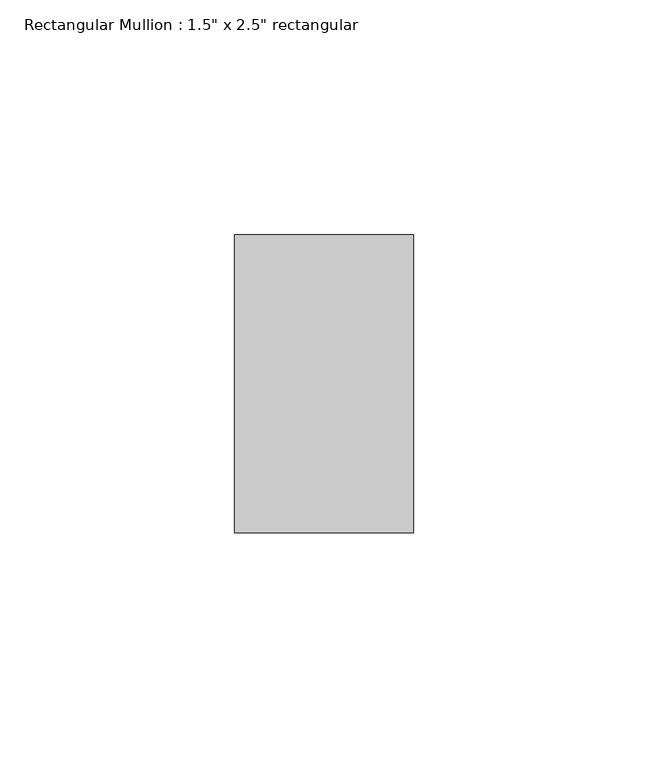
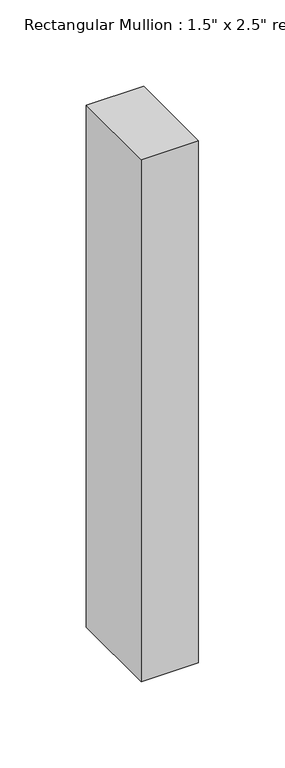
"""IFC4 building model written with IfcOpenShell, lengths in millimetres: member geometry."""

from ifc_helpers import new_model, si_unit, frame, origin, place, context, project, spatial, polyline, outline, extrude, source, transform, mapped, element, save


def member_cb9a5e60(model_context):
    return source(origin(), model_context, "Body", "SweptSolid", [
        extrude(outline(polyline([(19.05, -19.05), (19.05, -82.55), (-19.05, -82.55), (-19.05, -19.05), (19.05, -19.05)])), frame((0.0, 0.0, -368.3), z_axis=(0.0, 0.0, 1.0), x_axis=(1.0, 0.0, 0.0)), (0.0, 0.0, 1.0), 368.3),
    ])


if __name__ == "__main__":
    model = new_model("IFC4")
    model_context = context("Model", 3, world=origin())
    ifc_project = project(units=[si_unit("LENGTHUNIT", "METRE", prefix="MILLI")], contexts=[model_context])
    site = spatial("IfcSite", under=ifc_project)
    building = spatial("IfcBuilding", under=site)
    placement = place(None, origin())
    member_shape = member_cb9a5e60(model_context)
    element("IfcMember", 1, ObjectType="Rectangular Mullion : 1.5\" x 2.5\" rectangular", at=placement, inside=building, context=model_context, shape_type="MappedRepresentation", body=[
        mapped(member_shape, transform((0.0, 0.0, 0.0), x_axis=(1.0, 0.0, 0.0), y_axis=(0.0, 1.0, 0.0), z_axis=(0.0, 0.0, 1.0))),
    ])
    save(model, "model.ifc")
